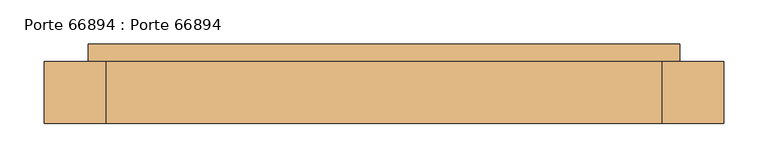
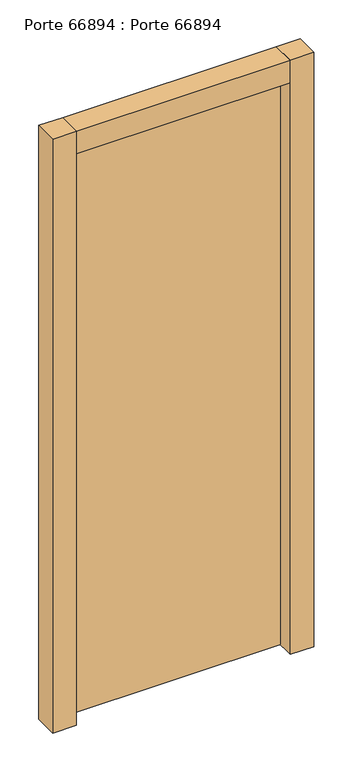
"""IFC4 building model written with IfcOpenShell, lengths in millimetres: door geometry, Porte 66894 : Porte 66894."""

from ifc_helpers import new_model, si_unit, frame, origin, origin_with_axes, place, context, project, spatial, polyline, outline, extrude, source, transform, mapped, element, save


def porte_66894_porte_66894_9fef5362(model_context):
    return source(origin(), model_context, "Body", "SweptSolid", [
        extrude(outline(polyline([(335.0, -10.0), (335.0, -50.0), (-335.0, -50.0), (-335.0, -10.0), (335.0, -10.0)])), origin_with_axes(), (0.0, 0.0, 1.0), 1800.0),
        extrude(outline(polyline([(-315.0, -30.0), (-315.0, -100.0), (-385.0, -100.0), (-385.0, -30.0), (-315.0, -30.0)])), origin_with_axes(), (0.0, 0.0, 1.0), 1850.0),
        extrude(outline(polyline([(385.0, -30.0), (385.0, -100.0), (315.0, -100.0), (315.0, -30.0), (385.0, -30.0)])), origin_with_axes(), (0.0, 0.0, 1.0), 1850.0),
        extrude(outline(polyline([(315.0, -30.0), (315.0, -100.0), (-315.0, -100.0), (-315.0, -30.0), (315.0, -30.0)])), frame((0.0, 0.0, 1780.0), z_axis=(0.0, 0.0, 1.0), x_axis=(1.0, 0.0, 0.0)), (0.0, 0.0, 1.0), 70.0),
    ])


if __name__ == "__main__":
    model = new_model("IFC4")
    model_context = context("Model", 3, world=origin())
    ifc_project = project(units=[si_unit("LENGTHUNIT", "METRE", prefix="MILLI")], contexts=[model_context])
    site = spatial("IfcSite", under=ifc_project)
    building = spatial("IfcBuilding", under=site)
    placement = place(None, origin())
    porte_66894_porte_66894_shape = porte_66894_porte_66894_9fef5362(model_context)
    element("IfcDoor", 1, ObjectType="Porte 66894 : Porte 66894", at=placement, inside=building, context=model_context, shape_type="MappedRepresentation", body=[
        mapped(porte_66894_porte_66894_shape, transform((0.0, 0.0, 0.0), x_axis=(1.0, 0.0, 0.0), y_axis=(0.0, 1.0, 0.0), z_axis=(0.0, 0.0, 1.0))),
    ])
    save(model, "model.ifc")
